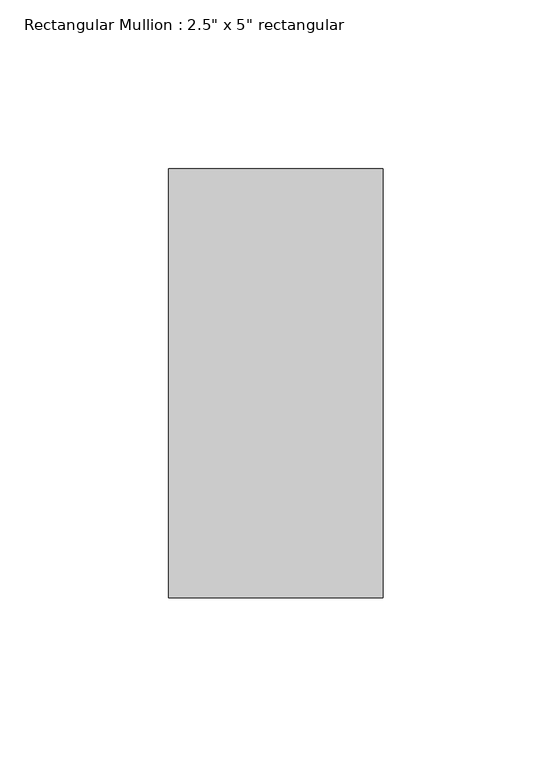
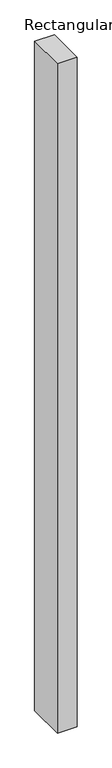
"""IFC4 building model written with IfcOpenShell, lengths in millimetres: member geometry."""

from ifc_helpers import new_model, si_unit, frame, origin, place, context, project, spatial, polyline, outline, extrude, source, transform, mapped, element, save


def member_c37785e8(model_context):
    return source(origin(), model_context, "Body", "SweptSolid", [
        extrude(outline(polyline([(0.0, 63.5), (0.0, -63.5), (-63.5, -63.5), (-63.5, 63.5), (0.0, 63.5)])), frame((0.0, 0.0, -2284.9321157), z_axis=(0.0, 0.0, 1.0), x_axis=(1.0, 0.0, 0.0)), (0.0, 0.0, 1.0), 2284.9321157),
    ])


if __name__ == "__main__":
    model = new_model("IFC4")
    model_context = context("Model", 3, world=origin())
    ifc_project = project(units=[si_unit("LENGTHUNIT", "METRE", prefix="MILLI")], contexts=[model_context])
    site = spatial("IfcSite", under=ifc_project)
    building = spatial("IfcBuilding", under=site)
    placement = place(None, origin())
    member_shape = member_c37785e8(model_context)
    element("IfcMember", 1, ObjectType="Rectangular Mullion : 2.5\" x 5\" rectangular", at=placement, inside=building, context=model_context, shape_type="MappedRepresentation", body=[
        mapped(member_shape, transform((0.0, 0.0, 0.0), x_axis=(1.0, 0.0, 0.0), y_axis=(0.0, 1.0, 0.0), z_axis=(0.0, 0.0, 1.0))),
    ])
    save(model, "model.ifc")
